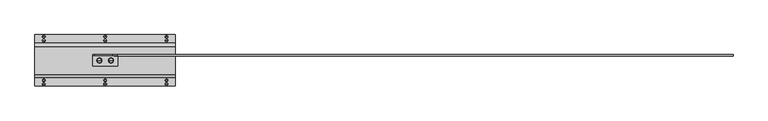
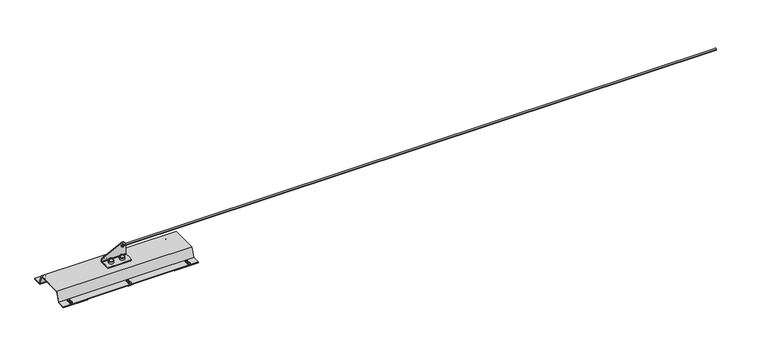
"""IFC4 building model written with IfcOpenShell, lengths in millimetres: proxy geometry."""

from ifc_helpers import new_model, si_unit, point, frame, origin, origin_with_axes, place, context, project, spatial, polyline, circle_curve, ellipse_curve, trimmed, outline, extrude, faceted_brep, source, transform, mapped, element, save
from ifc_brep_helpers import plane_surface, cylinder_surface, revolved_surface, extruded_surface, advanced_brep


def specialty_equipment_7625ce90(model_context):
    return source(origin(), model_context, "Body", "SolidModel", [
        advanced_brep(
        [(30.0, -27.5, 61.0), (17.0, -27.5, 61.0), (43.0, -27.5, 61.0), (41.1288682, -27.5, 74.769106), (18.8711318, -27.5, 74.769106), (30.0, -27.5, 84.5), (41.6048875, -27.5, 74.0453749), (18.3951125, -27.5, 74.0453749), (42.5150381, -27.5, 73.4985013), (17.4849619, -27.5, 73.4985013), (43.0, -27.5, 72.641334), (17.0, -27.5, 72.641334)],
        [
            (0, 1),
            (1, 2, circle_curve(frame((30.0, -27.5, 61.0), z_axis=(0.0, 0.0, -1.0), x_axis=(-1.0, 0.0, 0.0)), 13.0)),
            (2, 0),
            (2, 1, circle_curve(frame((30.0, -27.5, 61.0), z_axis=(0.0, 0.0, -1.0), x_axis=(-1.0, 0.0, 0.0)), 13.0)),
            (3, 4, circle_curve(frame((30.0, -27.5, 74.769106), z_axis=(0.0, 0.0, 1.0), x_axis=(-1.0, 0.0, 0.0)), 11.1288682)),
            (4, 5, circle_curve(frame((30.0, -27.5, 73.2707129), z_axis=(0.0, 1.0, 0.0), x_axis=(1.0, 0.0, 0.0)), 11.2292871)),
            (5, 3, circle_curve(frame((30.0, -27.5, 73.2707129), z_axis=(0.0, 1.0, 0.0), x_axis=(-1.0, 0.0, 0.0)), 11.2292871)),
            (4, 3, circle_curve(frame((30.0, -27.5, 74.769106), z_axis=(0.0, 0.0, 1.0), x_axis=(-1.0, 0.0, 0.0)), 11.1288682)),
            (6, 7, circle_curve(frame((30.0, -27.5, 74.0453749), z_axis=(0.0, 0.0, 1.0), x_axis=(-1.0, 0.0, 0.0)), 11.6048875)),
            (7, 4, circle_curve(frame((17.8800744, -27.5, 74.9025422), z_axis=(0.0, -1.0, 0.0), x_axis=(1.0, 0.0, 0.0)), 1.0)),
            (3, 6, circle_curve(frame((42.1199256, -27.5, 74.9025422), z_axis=(0.0, -1.0, 0.0), x_axis=(-1.0, 0.0, 0.0)), 1.0)),
            (7, 6, circle_curve(frame((30.0, -27.5, 74.0453749), z_axis=(0.0, 0.0, 1.0), x_axis=(-1.0, 0.0, 0.0)), 11.6048875)),
            (8, 9, circle_curve(frame((30.0, -27.5, 73.4985013), z_axis=(0.0, 0.0, 1.0), x_axis=(-1.0, 0.0, 0.0)), 12.5150381)),
            (9, 7),
            (6, 8),
            (9, 8, circle_curve(frame((30.0, -27.5, 73.4985013), z_axis=(0.0, 0.0, 1.0), x_axis=(-1.0, 0.0, 0.0)), 12.5150381)),
            (10, 11, circle_curve(frame((30.0, -27.5, 72.641334), z_axis=(0.0, 0.0, 1.0), x_axis=(-1.0, 0.0, 0.0)), 13.0)),
            (11, 9, circle_curve(frame((18.0, -27.5, 72.641334), z_axis=(0.0, 1.0, 0.0), x_axis=(1.0, 0.0, 0.0)), 1.0)),
            (8, 10, circle_curve(frame((42.0, -27.5, 72.641334), z_axis=(0.0, 1.0, 0.0), x_axis=(-1.0, 0.0, 0.0)), 1.0)),
            (11, 10, circle_curve(frame((30.0, -27.5, 72.641334), z_axis=(0.0, 0.0, 1.0), x_axis=(-1.0, 0.0, 0.0)), 13.0)),
            (1, 11),
            (10, 2),
        ],
        [
            plane_surface(frame((30.0, -27.5, 61.0), z_axis=(0.0, 0.0, -1.0), x_axis=(-1.0, 0.0, 0.0))),
            revolved_surface(trimmed(ellipse_curve(frame((30.0, -27.5, 73.2707129), z_axis=(0.0, -1.0, 0.0), x_axis=(1.0, 0.0, 0.0)), 11.2292871, 11.2292871), [point((30.0, -27.5, 84.5))], [point((18.8711318, -27.5, 74.769106))], True, "CARTESIAN"), (30.0, -27.5, 53.3736575), (0.0, 0.0, -1.0)),
            revolved_surface(trimmed(ellipse_curve(frame((17.8800744, -27.5, 74.9025422), z_axis=(0.0, 1.0, 0.0), x_axis=(1.0, 0.0, 0.0)), 1.0, 1.0), [point((18.8711318, -27.5, 74.769106))], [point((18.3951125, -27.5, 74.0453749))], True, "CARTESIAN"), (30.0, -27.5, 53.3736575), (0.0, 0.0, -1.0)),
            revolved_surface(polyline([(18.3951125, -27.5, 74.0453749), (17.4849619, -27.5, 73.4985013)]), (30.0, -27.5, 53.3736575), (0.0, 0.0, -1.0)),
            revolved_surface(trimmed(ellipse_curve(frame((18.0, -27.5, 72.641334), z_axis=(0.0, -1.0, 0.0), x_axis=(1.0, 0.0, 0.0)), 1.0, 1.0), [point((17.4849619, -27.5, 73.4985013))], [point((17.0, -27.5, 72.641334))], True, "CARTESIAN"), (30.0, -27.5, 53.3736575), (0.0, 0.0, -1.0)),
            cylinder_surface(frame((30.0, -27.5, 53.3736575), z_axis=(0.0, 0.0, -1.0), x_axis=(-1.0, 0.0, 0.0)), 13.0),
        ],
        [
            (0, [[1, 2, 3]]),
            (0, [[-3, 4, -1]]),
            (1, [[5, 6, 7]]),
            (1, [[8, -7, -6]]),
            (2, [[9, 10, -5, 11]]),
            (2, [[12, -11, -8, -10]]),
            (3, [[13, 14, -9, 15]]),
            (3, [[16, -15, -12, -14]]),
            (4, [[17, 18, -13, 19]]),
            (4, [[20, -19, -16, -18]]),
            (5, [[-2, 21, -17, 22]]),
            (5, [[-4, -22, -20, -21]]),
        ],
    ),
        advanced_brep(
        [(-30.0, -27.5, 61.0), (-43.0, -27.5, 61.0), (-17.0, -27.5, 61.0), (-18.8711318, -27.5, 74.769106), (-41.1288682, -27.5, 74.769106), (-30.0, -27.5, 84.5), (-18.3951125, -27.5, 74.0453749), (-41.6048875, -27.5, 74.0453749), (-17.4849619, -27.5, 73.4985013), (-42.5150381, -27.5, 73.4985013), (-17.0, -27.5, 72.641334), (-43.0, -27.5, 72.641334)],
        [
            (0, 1),
            (1, 2, circle_curve(frame((-30.0, -27.5, 61.0), z_axis=(0.0, 0.0, -1.0), x_axis=(-1.0, 0.0, 0.0)), 13.0)),
            (2, 0),
            (2, 1, circle_curve(frame((-30.0, -27.5, 61.0), z_axis=(0.0, 0.0, -1.0), x_axis=(-1.0, 0.0, 0.0)), 13.0)),
            (3, 4, circle_curve(frame((-30.0, -27.5, 74.769106), z_axis=(0.0, 0.0, 1.0), x_axis=(-1.0, 0.0, 0.0)), 11.1288682)),
            (4, 5, circle_curve(frame((-30.0, -27.5, 73.2707129), z_axis=(0.0, 1.0, 0.0), x_axis=(1.0, 0.0, 0.0)), 11.2292871)),
            (5, 3, circle_curve(frame((-30.0, -27.5, 73.2707129), z_axis=(0.0, 1.0, 0.0), x_axis=(-1.0, 0.0, 0.0)), 11.2292871)),
            (4, 3, circle_curve(frame((-30.0, -27.5, 74.769106), z_axis=(0.0, 0.0, 1.0), x_axis=(-1.0, 0.0, 0.0)), 11.1288682)),
            (6, 7, circle_curve(frame((-30.0, -27.5, 74.0453749), z_axis=(0.0, 0.0, 1.0), x_axis=(-1.0, 0.0, 0.0)), 11.6048875)),
            (7, 4, circle_curve(frame((-42.1199256, -27.5, 74.9025422), z_axis=(0.0, -1.0, 0.0), x_axis=(1.0, 0.0, 0.0)), 1.0)),
            (3, 6, circle_curve(frame((-17.8800744, -27.5, 74.9025422), z_axis=(0.0, -1.0, 0.0), x_axis=(-1.0, 0.0, 0.0)), 1.0)),
            (7, 6, circle_curve(frame((-30.0, -27.5, 74.0453749), z_axis=(0.0, 0.0, 1.0), x_axis=(-1.0, 0.0, 0.0)), 11.6048875)),
            (8, 9, circle_curve(frame((-30.0, -27.5, 73.4985013), z_axis=(0.0, 0.0, 1.0), x_axis=(-1.0, 0.0, 0.0)), 12.5150381)),
            (9, 7),
            (6, 8),
            (9, 8, circle_curve(frame((-30.0, -27.5, 73.4985013), z_axis=(0.0, 0.0, 1.0), x_axis=(-1.0, 0.0, 0.0)), 12.5150381)),
            (10, 11, circle_curve(frame((-30.0, -27.5, 72.641334), z_axis=(0.0, 0.0, 1.0), x_axis=(-1.0, 0.0, 0.0)), 13.0)),
            (11, 9, circle_curve(frame((-42.0, -27.5, 72.641334), z_axis=(0.0, 1.0, 0.0), x_axis=(1.0, 0.0, 0.0)), 1.0)),
            (8, 10, circle_curve(frame((-18.0, -27.5, 72.641334), z_axis=(0.0, 1.0, 0.0), x_axis=(-1.0, 0.0, 0.0)), 1.0)),
            (11, 10, circle_curve(frame((-30.0, -27.5, 72.641334), z_axis=(0.0, 0.0, 1.0), x_axis=(-1.0, 0.0, 0.0)), 13.0)),
            (1, 11),
            (10, 2),
        ],
        [
            plane_surface(frame((-30.0, -27.5, 61.0), z_axis=(0.0, 0.0, -1.0), x_axis=(-1.0, 0.0, 0.0))),
            revolved_surface(trimmed(ellipse_curve(frame((-30.0, -27.5, 73.2707129), z_axis=(0.0, -1.0, 0.0), x_axis=(1.0, 0.0, 0.0)), 11.2292871, 11.2292871), [point((-30.0, -27.5, 84.5))], [point((-41.1288682, -27.5, 74.769106))], True, "CARTESIAN"), (-30.0, -27.5, 53.3736575), (0.0, 0.0, -1.0)),
            revolved_surface(trimmed(ellipse_curve(frame((-42.1199256, -27.5, 74.9025422), z_axis=(0.0, 1.0, 0.0), x_axis=(1.0, 0.0, 0.0)), 1.0, 1.0), [point((-41.1288682, -27.5, 74.769106))], [point((-41.6048875, -27.5, 74.0453749))], True, "CARTESIAN"), (-30.0, -27.5, 53.3736575), (0.0, 0.0, -1.0)),
            revolved_surface(polyline([(-41.6048875, -27.5, 74.0453749), (-42.5150381, -27.5, 73.4985013)]), (-30.0, -27.5, 53.3736575), (0.0, 0.0, -1.0)),
            revolved_surface(trimmed(ellipse_curve(frame((-42.0, -27.5, 72.641334), z_axis=(0.0, -1.0, 0.0), x_axis=(1.0, 0.0, 0.0)), 1.0, 1.0), [point((-42.5150381, -27.5, 73.4985013))], [point((-43.0, -27.5, 72.641334))], True, "CARTESIAN"), (-30.0, -27.5, 53.3736575), (0.0, 0.0, -1.0)),
            cylinder_surface(frame((-30.0, -27.5, 53.3736575), z_axis=(0.0, 0.0, -1.0), x_axis=(-1.0, 0.0, 0.0)), 13.0),
        ],
        [
            (0, [[1, 2, 3]]),
            (0, [[-3, 4, -1]]),
            (1, [[5, 6, 7]]),
            (1, [[8, -7, -6]]),
            (2, [[9, 10, -5, 11]]),
            (2, [[12, -11, -8, -10]]),
            (3, [[13, 14, -9, 15]]),
            (3, [[16, -15, -12, -14]]),
            (4, [[17, 18, -13, 19]]),
            (4, [[20, -19, -16, -18]]),
            (5, [[-2, 21, -17, 22]]),
            (5, [[-4, -22, -20, -21]]),
        ],
    ),
        advanced_brep(
        [(65.0, -2.5, 114.5), (39.8285049, -2.5, 130.2288958), (-55.1714951, -2.5, 83.8942999), (-65.0, -2.5, 68.1654041), (-65.0, -2.5, 64.0), (65.0, -2.5, 64.0), (55.0, -2.5, 114.5), (40.0, -2.5, 114.5), (-65.0, 2.5, 68.1654041), (-55.1714951, 2.5, 83.8942999), (39.8285049, 2.5, 130.2288958), (65.0, 2.5, 114.5), (65.0, 2.5, 64.0), (-65.0, 2.5, 64.0), (55.0, 2.5, 114.5), (40.0, 2.5, 114.5), (-65.0, -27.5, 61.0), (-65.0, -52.5, 61.0), (-60.0, -57.5, 61.0), (0.0, -57.5, 61.0), (60.0, -57.5, 61.0), (65.0, -52.5, 61.0), (65.0, -27.5, 61.0), (65.0, -5.5, 61.0), (-65.0, -5.5, 61.0), (65.0, -27.5, 56.0), (65.0, -52.5, 56.0), (60.0, -57.5, 56.0), (0.0, -57.5, 56.0), (-60.0, -57.5, 56.0), (-65.0, -52.5, 56.0), (-65.0, -27.5, 56.0), (-65.0, -5.5, 56.0), (65.0, -5.5, 56.0)],
        [
            (0, 1, circle_curve(frame((47.5, -2.5, 114.5), z_axis=(0.0, -1.0, 0.0), x_axis=(-1.0, 0.0, 0.0)), 17.5)),
            (1, 2),
            (2, 3, circle_curve(frame((-47.5, -2.5, 68.1654041), z_axis=(0.0, -1.0, 0.0), x_axis=(-1.0, 0.0, 0.0)), 17.5)),
            (3, 4),
            (4, 5),
            (5, 0),
            (6, 7, circle_curve(frame((47.5, -2.5, 114.5), z_axis=(0.0, 1.0, 0.0), x_axis=(-1.0, 0.0, 0.0)), 7.5)),
            (7, 6, circle_curve(frame((47.5, -2.5, 114.5), z_axis=(0.0, 1.0, 0.0), x_axis=(-1.0, 0.0, 0.0)), 7.5)),
            (8, 9, circle_curve(frame((-47.5, 2.5, 68.1654041), z_axis=(0.0, 1.0, 0.0), x_axis=(-1.0, 0.0, 0.0)), 17.5)),
            (9, 10),
            (10, 11, circle_curve(frame((47.5, 2.5, 114.5), z_axis=(0.0, 1.0, 0.0), x_axis=(-1.0, 0.0, 0.0)), 17.5)),
            (11, 12),
            (12, 13),
            (13, 8),
            (14, 15, circle_curve(frame((47.5, 2.5, 114.5), z_axis=(0.0, -1.0, 0.0), x_axis=(-1.0, 0.0, 0.0)), 7.5)),
            (15, 14, circle_curve(frame((47.5, 2.5, 114.5), z_axis=(0.0, -1.0, 0.0), x_axis=(-1.0, 0.0, 0.0)), 7.5)),
            (16, 17),
            (17, 18, circle_curve(frame((-60.0, -52.5, 61.0), z_axis=(0.0, 0.0, 1.0), x_axis=(0.0, 1.0, 0.0)), 5.0)),
            (18, 19),
            (19, 20),
            (20, 21, circle_curve(frame((60.0, -52.5, 61.0), z_axis=(0.0, 0.0, 1.0), x_axis=(0.0, 1.0, 0.0)), 5.0)),
            (21, 22),
            (22, 23),
            (23, 24),
            (24, 16),
            (25, 26),
            (26, 27, circle_curve(frame((60.0, -52.5, 56.0), z_axis=(0.0, 0.0, -1.0), x_axis=(0.0, 1.0, 0.0)), 5.0)),
            (27, 28),
            (28, 29),
            (29, 30, circle_curve(frame((-60.0, -52.5, 56.0), z_axis=(0.0, 0.0, -1.0), x_axis=(0.0, 1.0, 0.0)), 5.0)),
            (30, 31),
            (31, 32),
            (32, 33),
            (33, 25),
            (16, 31),
            (30, 17),
            (29, 18),
            (28, 19),
            (27, 20),
            (26, 21),
            (25, 22),
            (4, 24, circle_curve(frame((-65.0, -5.5, 64.0), z_axis=(-1.0, 0.0, 0.0), x_axis=(0.0, 1.0, 0.0)), 3.0)),
            (23, 5, circle_curve(frame((65.0, -5.5, 64.0), z_axis=(1.0, 0.0, 0.0), x_axis=(0.0, 1.0, 0.0)), 3.0)),
            (11, 0),
            (33, 12, circle_curve(frame((65.0, -5.5, 64.0), z_axis=(1.0, 0.0, 0.0), x_axis=(0.0, 1.0, 0.0)), 8.0)),
            (10, 1),
            (9, 2),
            (8, 3),
            (13, 32, circle_curve(frame((-65.0, -5.5, 64.0), z_axis=(-1.0, 0.0, 0.0), x_axis=(0.0, 1.0, 0.0)), 8.0)),
            (6, 14),
            (15, 7),
        ],
        [
            plane_surface(frame((65.0, -2.5, 61.0), z_axis=(0.0, -1.0, 0.0), x_axis=(0.0, 0.0, 1.0))),
            plane_surface(frame((65.0, 2.5, 61.0), z_axis=(0.0, 1.0, 0.0), x_axis=(0.0, 0.0, -1.0))),
            plane_surface(frame((-65.0, 2.5, 61.0), z_axis=(0.0, 0.0, 1.0), x_axis=(0.0, -1.0, 0.0))),
            plane_surface(frame((-65.0, 2.5, 56.0), z_axis=(0.0, 0.0, -1.0), x_axis=(0.0, 1.0, 0.0))),
            plane_surface(frame((-65.0, -27.5, 61.0), z_axis=(-1.0, 0.0, 0.0), x_axis=(0.0, 0.0, -1.0))),
            cylinder_surface(frame((-60.0, -52.5, 56.0), z_axis=(0.0, 0.0, 1.0), x_axis=(0.0, 1.0, 0.0)), 5.0),
            plane_surface(frame((-60.0, -57.5, 61.0), z_axis=(0.0, -1.0, 0.0), x_axis=(0.0, 0.0, -1.0))),
            plane_surface(frame((0.0, -57.5, 61.0), z_axis=(0.0, -1.0, 0.0), x_axis=(0.0, 0.0, -1.0))),
            cylinder_surface(frame((60.0, -52.5, 56.0), z_axis=(0.0, 0.0, 1.0), x_axis=(0.0, 1.0, 0.0)), 5.0),
            plane_surface(frame((65.0, -52.5, 61.0), z_axis=(1.0, 0.0, 0.0), x_axis=(0.0, 0.0, -1.0))),
            revolved_surface(polyline([(-65.0, -2.5, 64.0), (65.0, -2.5, 64.0)]), (-65.0, -5.5, 64.0), (-1.0, 0.0, 0.0)),
            plane_surface(frame((65.0, -2.5, 61.0), z_axis=(1.0, 0.0, 0.0), x_axis=(0.0, 1.0, 0.0))),
            cylinder_surface(frame((47.5, 2.5, 114.5), z_axis=(0.0, -1.0, 0.0), x_axis=(-1.0, 0.0, 0.0)), 17.5),
            plane_surface(frame((39.8285049, -2.5, 130.2288958), z_axis=(-0.4383711467890806, 0.0, 0.8987940462991655), x_axis=(0.0, 1.0, 0.0))),
            cylinder_surface(frame((-47.5, 2.5, 68.1654041), z_axis=(0.0, -1.0, 0.0), x_axis=(-1.0, 0.0, 0.0)), 17.5),
            plane_surface(frame((-65.0, -2.5, 68.1654041), z_axis=(-1.0, 0.0, 0.0), x_axis=(0.0, 1.0, 0.0))),
            cylinder_surface(frame((-65.0, -5.5, 64.0), z_axis=(-1.0, 0.0, 0.0), x_axis=(0.0, 1.0, 0.0)), 8.0),
            revolved_surface(polyline([(40.0, 2.5, 114.5), (40.0, -2.5, 114.5)]), (47.5, 106.0, 114.5), (0.0, 1.0, 0.0)),
        ],
        [
            (0, [[1, 2, 3, 4, 5, 6], [7, 8]]),
            (1, [[9, 10, 11, 12, 13, 14], [15, 16]]),
            (2, [[17, 18, 19, 20, 21, 22, 23, 24, 25]]),
            (3, [[26, 27, 28, 29, 30, 31, 32, 33, 34]]),
            (4, [[-17, 35, -31, 36]]),
            (5, [[-18, -36, -30, 37]]),
            (6, [[-19, -37, -29, 38]]),
            (7, [[-20, -38, -28, 39]]),
            (8, [[-21, -39, -27, 40]]),
            (9, [[-22, -40, -26, 41]]),
            (10, [[42, -24, 43, -5]]),
            (11, [[44, -6, -43, -23, -41, -34, 45, -12]]),
            (12, [[-1, -44, -11, 46]]),
            (13, [[-2, -46, -10, 47]]),
            (14, [[-3, -47, -9, 48]]),
            (15, [[-48, -14, 49, -32, -35, -25, -42, -4]]),
            (16, [[-13, -45, -33, -49]]),
            (17, [[-7, 50, -16, 51]]),
            (17, [[-8, -51, -15, -50]]),
        ],
    ),
        extrude(outline(polyline([(61.0, 3.0), (42.7695663, 53.0877048), (-97.7695663, 53.0877048), (-116.0, 3.0), (-161.0, 3.0), (-161.0, 6.0), (-118.1006226, 6.0), (-99.870189, 56.0877048), (44.870189, 56.0877048), (63.1006226, 6.0), (106.0, 6.0), (106.0, 3.0), (61.0, 3.0)])), frame((-364.0, 0.0, 0.0), z_axis=(1.0, 0.0, 0.0), x_axis=(0.0, 1.0, 0.0)), (0.0, 0.0, 1.0), 728.0),
        extrude(outline(polyline([(-234.0, 106.0), (-234.0, 61.0), (-364.0, 61.0), (-364.0, 106.0), (-234.0, 106.0)])), origin_with_axes(), (0.0, 0.0, 1.0), 3.0),
        extrude(outline(polyline([(234.0, 106.0), (364.0, 106.0), (364.0, 61.0), (234.0, 61.0), (234.0, 106.0)])), origin_with_axes(), (0.0, 0.0, 1.0), 3.0),
        extrude(outline(polyline([(-234.0, -161.0), (-364.0, -161.0), (-364.0, -116.0), (-234.0, -116.0), (-234.0, -161.0)])), origin_with_axes(), (0.0, 0.0, 1.0), 3.0),
        extrude(outline(polyline([(234.0, -161.0), (234.0, -116.0), (364.0, -116.0), (364.0, -161.0), (234.0, -161.0)])), origin_with_axes(), (0.0, 0.0, 1.0), 3.0),
        extrude(outline(polyline([(0.0, 106.0), (14.1113894, 106.0), (14.1113894, 61.0), (0.0, 61.0), (-14.1113894, 61.0), (-14.1113894, 106.0), (0.0, 106.0)])), origin_with_axes(), (0.0, 0.0, 1.0), 3.0),
        extrude(outline(polyline([(0.0, -161.0), (-14.1113894, -161.0), (-14.1113894, -116.0), (0.0, -116.0), (14.1113894, -116.0), (14.1113894, -161.0), (0.0, -161.0)])), origin_with_axes(), (0.0, 0.0, 1.0), 3.0),
        faceted_brep([(-313.4048805, -131.0, 11.0), (-315.7024402, -127.0205097, 11.0), (-320.2975598, -127.0205097, 11.0), (-322.5951195, -131.0, 11.0), (-320.2975598, -134.9794903, 11.0), (-315.7024402, -134.9794903, 11.0), (-313.4048805, -131.0, 7.5), (-315.7024402, -134.9794903, 7.5), (-320.2975598, -134.9794903, 7.5), (-322.5951195, -131.0, 7.5), (-320.2975598, -127.0205097, 7.5), (-315.7024402, -127.0205097, 7.5)], [[[0, 1, 2, 3, 4, 5]], [[6, 7, 8, 9, 10, 11]], [[1, 0, 6, 11]], [[2, 1, 11, 10]], [[3, 2, 10, 9]], [[4, 3, 9, 8]], [[5, 4, 8, 7]], [[0, 5, 7, 6]]]),
        advanced_brep(
        [(4.5951195, -131.0, 11.0), (2.2975598, -127.0205097, 11.0), (-2.2975598, -127.0205097, 11.0), (-4.5951195, -131.0, 11.0), (-2.2975598, -134.9794903, 11.0), (2.2975598, -134.9794903, 11.0), (4.5951195, -131.0, 7.5), (2.2975598, -127.0205097, 7.5), (-2.2975598, -127.0205097, 7.5), (-4.5951195, -131.0, 7.5), (-2.2975598, -134.9794903, 7.5), (2.2975598, -134.9794903, 7.5), (7.2845807, -131.0, 6.0), (-7.2845807, -131.0, 6.0), (0.0, -131.0, 6.0), (-5.7845807, -131.0, 7.5), (5.7845807, -131.0, 7.5)],
        [
            (0, 1),
            (1, 2),
            (2, 3),
            (3, 4),
            (4, 5),
            (5, 0),
            (0, 6),
            (6, 7),
            (7, 1),
            (7, 8),
            (8, 2),
            (8, 9),
            (9, 3),
            (9, 10),
            (10, 4),
            (10, 11),
            (11, 5),
            (11, 6),
            (12, 13, circle_curve(frame((0.0, -131.0, 6.0), z_axis=(0.0, 0.0, -1.0), x_axis=(-1.0, 0.0, 0.0)), 7.2845807)),
            (13, 14),
            (14, 12),
            (13, 12, circle_curve(frame((0.0, -131.0, 6.0), z_axis=(0.0, 0.0, -1.0), x_axis=(-1.0, 0.0, 0.0)), 7.2845807)),
            (15, 16, circle_curve(frame((0.0, -131.0, 7.5), z_axis=(0.0, 0.0, 1.0), x_axis=(-1.0, 0.0, 0.0)), 5.7845807)),
            (16, 6),
            (9, 15),
            (16, 15, circle_curve(frame((0.0, -131.0, 7.5), z_axis=(0.0, 0.0, 1.0), x_axis=(-1.0, 0.0, 0.0)), 5.7845807)),
            (12, 16, circle_curve(frame((5.7845807, -131.0, 6.0), z_axis=(0.0, -1.0, 0.0), x_axis=(1.0, 0.0, 0.0)), 1.5)),
            (15, 13, circle_curve(frame((-5.7845807, -131.0, 6.0), z_axis=(0.0, -1.0, 0.0), x_axis=(-1.0, 0.0, 0.0)), 1.5)),
        ],
        [
            plane_surface(frame((-315.7024402, -127.0205097, 11.0), z_axis=(0.0, 0.0, 1.0), x_axis=(-0.49999999999903916, 0.8660254037849934, 0.0))),
            plane_surface(frame((4.5951195, -131.0, 11.0), z_axis=(0.8660254037844972, 0.4999999999998985, 0.0), x_axis=(0.0, 0.0, -1.0))),
            plane_surface(frame((2.2975598, -127.0205097, 11.0), z_axis=(0.0, 1.0, 0.0), x_axis=(0.0, 0.0, -1.0))),
            plane_surface(frame((-2.2975598, -127.0205097, 11.0), z_axis=(-0.86602540378451, 0.49999999999987643, 0.0), x_axis=(0.0, 0.0, -1.0))),
            plane_surface(frame((-4.5951195, -131.0, 11.0), z_axis=(-0.8660254037843756, -0.5000000000001092, 0.0), x_axis=(0.0, 0.0, -1.0))),
            plane_surface(frame((-2.2975598, -134.9794903, 11.0), z_axis=(0.0, -1.0, 0.0), x_axis=(0.0, 0.0, -1.0))),
            plane_surface(frame((2.2975598, -134.9794903, 11.0), z_axis=(0.8660254037843756, -0.5000000000001092, 0.0), x_axis=(0.0, 0.0, -1.0))),
            plane_surface(frame((0.0, -131.0, 6.0), z_axis=(0.0, 0.0, -1.0), x_axis=(-1.0, 0.0, 0.0))),
            plane_surface(frame((0.0, -131.0, 7.5), z_axis=(0.0, 0.0, 1.0), x_axis=(-1.0, 0.0, 0.0))),
            revolved_surface(trimmed(ellipse_curve(frame((-5.7845807, -131.0, 6.0), z_axis=(0.0, 1.0, 0.0), x_axis=(-1.0, 0.0, 0.0)), 1.5, 1.5), [point((-7.2845807, -131.0, 6.0))], [point((-5.7845807, -131.0, 7.5))], True, "CARTESIAN"), (0.0, -131.0, -55.0), (0.0, 0.0, 1.0)),
        ],
        [
            (0, [[1, 2, 3, 4, 5, 6]]),
            (1, [[-1, 7, 8, 9]]),
            (2, [[-2, -9, 10, 11]]),
            (3, [[-3, -11, 12, 13]]),
            (4, [[-4, -13, 14, 15]]),
            (5, [[-5, -15, 16, 17]]),
            (6, [[-6, -17, 18, -7]]),
            (7, [[19, 20, 21]]),
            (7, [[-20, 22, -21]]),
            (8, [[23, 24, -18, -16, -14, 25]]),
            (8, [[26, -25, -12, -10, -8, -24]]),
            (9, [[-19, 27, -23, 28]]),
            (9, [[-22, -28, -26, -27]]),
        ],
    ),
        faceted_brep([(313.4048805, -131.0, 11.0), (315.7024402, -134.9794903, 11.0), (320.2975598, -134.9794903, 11.0), (322.5951195, -131.0, 11.0), (320.2975598, -127.0205097, 11.0), (315.7024402, -127.0205097, 11.0), (313.4048805, -131.0, 7.5), (315.7024402, -127.0205097, 7.5), (320.2975598, -127.0205097, 7.5), (322.5951195, -131.0, 7.5), (320.2975598, -134.9794903, 7.5), (315.7024402, -134.9794903, 7.5)], [[[0, 1, 2, 3, 4, 5]], [[6, 7, 8, 9, 10, 11]], [[1, 0, 6, 11]], [[2, 1, 11, 10]], [[3, 2, 10, 9]], [[4, 3, 9, 8]], [[5, 4, 8, 7]], [[0, 5, 7, 6]]]),
        advanced_brep(
        [(325.2980125, -151.0, 6.0), (310.7019875, -151.0, 6.0), (318.0, -151.0, 6.0), (325.2980125, -151.0, 7.5), (310.7019875, -151.0, 7.5), (321.2980125, -151.0, 11.5), (314.7019875, -151.0, 11.5), (318.0, -151.0, 11.5)],
        [
            (0, 1, circle_curve(frame((318.0, -151.0, 6.0), z_axis=(0.0, 0.0, -1.0), x_axis=(-1.0, 0.0, 0.0)), 7.2980125)),
            (1, 2),
            (2, 0),
            (1, 0, circle_curve(frame((318.0, -151.0, 6.0), z_axis=(0.0, 0.0, -1.0), x_axis=(-1.0, 0.0, 0.0)), 7.2980125)),
            (3, 4, circle_curve(frame((318.0, -151.0, 7.5), z_axis=(0.0, 0.0, -1.0), x_axis=(-1.0, 0.0, 0.0)), 7.2980125)),
            (4, 1),
            (0, 3),
            (4, 3, circle_curve(frame((318.0, -151.0, 7.5), z_axis=(0.0, 0.0, -1.0), x_axis=(-1.0, 0.0, 0.0)), 7.2980125)),
            (5, 6, circle_curve(frame((318.0, -151.0, 11.5), z_axis=(0.0, 0.0, -1.0), x_axis=(-1.0, 0.0, 0.0)), 3.2980125)),
            (6, 4, circle_curve(frame((314.7019875, -151.0, 7.5), z_axis=(0.0, -1.0, 0.0), x_axis=(-1.0, 0.0, 0.0)), 4.0)),
            (3, 5, circle_curve(frame((321.2980125, -151.0, 7.5), z_axis=(0.0, -1.0, 0.0), x_axis=(1.0, 0.0, 0.0)), 4.0)),
            (6, 5, circle_curve(frame((318.0, -151.0, 11.5), z_axis=(0.0, 0.0, -1.0), x_axis=(-1.0, 0.0, 0.0)), 3.2980125)),
            (7, 6),
            (5, 7),
        ],
        [
            plane_surface(frame((318.0, -151.0, 6.0), z_axis=(0.0, 0.0, -1.0), x_axis=(-1.0, 0.0, 0.0))),
            cylinder_surface(frame((318.0, -151.0, -55.0), z_axis=(0.0, 0.0, 1.0), x_axis=(-1.0, 0.0, 0.0)), 7.2980125),
            revolved_surface(trimmed(ellipse_curve(frame((314.7019875, -151.0, 7.5), z_axis=(0.0, 1.0, 0.0), x_axis=(-1.0, 0.0, 0.0)), 4.0, 4.0), [point((310.7019875, -151.0, 7.5))], [point((314.7019875, -151.0, 11.5))], True, "CARTESIAN"), (318.0, -151.0, -55.0), (0.0, 0.0, 1.0)),
            plane_surface(frame((318.0, -151.0, 11.5), z_axis=(0.0, 0.0, 1.0), x_axis=(-1.0, 0.0, 0.0))),
        ],
        [
            (0, [[1, 2, 3]]),
            (0, [[4, -3, -2]]),
            (1, [[5, 6, -1, 7]]),
            (1, [[8, -7, -4, -6]]),
            (2, [[9, 10, -5, 11]]),
            (2, [[12, -11, -8, -10]]),
            (3, [[13, -9, 14]]),
            (3, [[-14, -12, -13]]),
        ],
    ),
        advanced_brep(
        [(7.2980125, -151.0, 6.0), (-7.2980125, -151.0, 6.0), (0.0, -151.0, 6.0), (7.2980125, -151.0, 7.5), (-7.2980125, -151.0, 7.5), (3.2980125, -151.0, 11.5), (-3.2980125, -151.0, 11.5), (0.0, -151.0, 11.5)],
        [
            (0, 1, circle_curve(frame((0.0, -151.0, 6.0), z_axis=(0.0, 0.0, -1.0), x_axis=(-1.0, 0.0, 0.0)), 7.2980125)),
            (1, 2),
            (2, 0),
            (1, 0, circle_curve(frame((0.0, -151.0, 6.0), z_axis=(0.0, 0.0, -1.0), x_axis=(-1.0, 0.0, 0.0)), 7.2980125)),
            (3, 4, circle_curve(frame((0.0, -151.0, 7.5), z_axis=(0.0, 0.0, -1.0), x_axis=(-1.0, 0.0, 0.0)), 7.2980125)),
            (4, 1),
            (0, 3),
            (4, 3, circle_curve(frame((0.0, -151.0, 7.5), z_axis=(0.0, 0.0, -1.0), x_axis=(-1.0, 0.0, 0.0)), 7.2980125)),
            (5, 6, circle_curve(frame((0.0, -151.0, 11.5), z_axis=(0.0, 0.0, -1.0), x_axis=(-1.0, 0.0, 0.0)), 3.2980125)),
            (6, 4, circle_curve(frame((-3.2980125, -151.0, 7.5), z_axis=(0.0, -1.0, 0.0), x_axis=(-1.0, 0.0, 0.0)), 4.0)),
            (3, 5, circle_curve(frame((3.2980125, -151.0, 7.5), z_axis=(0.0, -1.0, 0.0), x_axis=(1.0, 0.0, 0.0)), 4.0)),
            (6, 5, circle_curve(frame((0.0, -151.0, 11.5), z_axis=(0.0, 0.0, -1.0), x_axis=(-1.0, 0.0, 0.0)), 3.2980125)),
            (7, 6),
            (5, 7),
        ],
        [
            plane_surface(frame((0.0, -151.0, 6.0), z_axis=(0.0, 0.0, -1.0), x_axis=(-1.0, 0.0, 0.0))),
            cylinder_surface(frame((0.0, -151.0, -55.0), z_axis=(0.0, 0.0, 1.0), x_axis=(-1.0, 0.0, 0.0)), 7.2980125),
            revolved_surface(trimmed(ellipse_curve(frame((-3.2980125, -151.0, 7.5), z_axis=(0.0, 1.0, 0.0), x_axis=(-1.0, 0.0, 0.0)), 4.0, 4.0), [point((-7.2980125, -151.0, 7.5))], [point((-3.2980125, -151.0, 11.5))], True, "CARTESIAN"), (0.0, -151.0, -55.0), (0.0, 0.0, 1.0)),
            plane_surface(frame((0.0, -151.0, 11.5), z_axis=(0.0, 0.0, 1.0), x_axis=(-1.0, 0.0, 0.0))),
        ],
        [
            (0, [[1, 2, 3]]),
            (0, [[4, -3, -2]]),
            (1, [[5, 6, -1, 7]]),
            (1, [[8, -7, -4, -6]]),
            (2, [[9, 10, -5, 11]]),
            (2, [[12, -11, -8, -10]]),
            (3, [[13, -9, 14]]),
            (3, [[-14, -12, -13]]),
        ],
    ),
        advanced_brep(
        [(-310.7019875, -151.0, 6.0), (-325.2980125, -151.0, 6.0), (-318.0, -151.0, 6.0), (-310.7019875, -151.0, 7.5), (-325.2980125, -151.0, 7.5), (-314.7019875, -151.0, 11.5), (-321.2980125, -151.0, 11.5), (-318.0, -151.0, 11.5)],
        [
            (0, 1, circle_curve(frame((-318.0, -151.0, 6.0), z_axis=(0.0, 0.0, -1.0), x_axis=(-1.0, 0.0, 0.0)), 7.2980125)),
            (1, 2),
            (2, 0),
            (1, 0, circle_curve(frame((-318.0, -151.0, 6.0), z_axis=(0.0, 0.0, -1.0), x_axis=(-1.0, 0.0, 0.0)), 7.2980125)),
            (3, 4, circle_curve(frame((-318.0, -151.0, 7.5), z_axis=(0.0, 0.0, -1.0), x_axis=(-1.0, 0.0, 0.0)), 7.2980125)),
            (4, 1),
            (0, 3),
            (4, 3, circle_curve(frame((-318.0, -151.0, 7.5), z_axis=(0.0, 0.0, -1.0), x_axis=(-1.0, 0.0, 0.0)), 7.2980125)),
            (5, 6, circle_curve(frame((-318.0, -151.0, 11.5), z_axis=(0.0, 0.0, -1.0), x_axis=(-1.0, 0.0, 0.0)), 3.2980125)),
            (6, 4, circle_curve(frame((-321.2980125, -151.0, 7.5), z_axis=(0.0, -1.0, 0.0), x_axis=(-1.0, 0.0, 0.0)), 4.0)),
            (3, 5, circle_curve(frame((-314.7019875, -151.0, 7.5), z_axis=(0.0, -1.0, 0.0), x_axis=(1.0, 0.0, 0.0)), 4.0)),
            (6, 5, circle_curve(frame((-318.0, -151.0, 11.5), z_axis=(0.0, 0.0, -1.0), x_axis=(-1.0, 0.0, 0.0)), 3.2980125)),
            (7, 6),
            (5, 7),
        ],
        [
            plane_surface(frame((-318.0, -151.0, 6.0), z_axis=(0.0, 0.0, -1.0), x_axis=(-1.0, 0.0, 0.0))),
            cylinder_surface(frame((-318.0, -151.0, -55.0), z_axis=(0.0, 0.0, 1.0), x_axis=(-1.0, 0.0, 0.0)), 7.2980125),
            revolved_surface(trimmed(ellipse_curve(frame((-321.2980125, -151.0, 7.5), z_axis=(0.0, 1.0, 0.0), x_axis=(-1.0, 0.0, 0.0)), 4.0, 4.0), [point((-325.2980125, -151.0, 7.5))], [point((-321.2980125, -151.0, 11.5))], True, "CARTESIAN"), (-318.0, -151.0, -55.0), (0.0, 0.0, 1.0)),
            plane_surface(frame((-318.0, -151.0, 11.5), z_axis=(0.0, 0.0, 1.0), x_axis=(-1.0, 0.0, 0.0))),
        ],
        [
            (0, [[1, 2, 3]]),
            (0, [[4, -3, -2]]),
            (1, [[5, 6, -1, 7]]),
            (1, [[8, -7, -4, -6]]),
            (2, [[9, 10, -5, 11]]),
            (2, [[12, -11, -8, -10]]),
            (3, [[13, -9, 14]]),
            (3, [[-14, -12, -13]]),
        ],
    ),
        advanced_brep(
        [(310.7019875, 76.0, 6.0), (325.2980125, 76.0, 6.0), (318.0, 76.0, 6.0), (310.7019875, 76.0, 7.5), (325.2980125, 76.0, 7.5), (314.7019875, 76.0, 11.5), (321.2980125, 76.0, 11.5), (318.0, 76.0, 11.5)],
        [
            (0, 1, circle_curve(frame((318.0, 76.0, 6.0), z_axis=(0.0, 0.0, -1.0), x_axis=(1.0, 0.0, 0.0)), 7.2980125)),
            (1, 2),
            (2, 0),
            (1, 0, circle_curve(frame((318.0, 76.0, 6.0), z_axis=(0.0, 0.0, -1.0), x_axis=(1.0, 0.0, 0.0)), 7.2980125)),
            (3, 4, circle_curve(frame((318.0, 76.0, 7.5), z_axis=(0.0, 0.0, -1.0), x_axis=(1.0, 0.0, 0.0)), 7.2980125)),
            (4, 1),
            (0, 3),
            (4, 3, circle_curve(frame((318.0, 76.0, 7.5), z_axis=(0.0, 0.0, -1.0), x_axis=(1.0, 0.0, 0.0)), 7.2980125)),
            (5, 6, circle_curve(frame((318.0, 76.0, 11.5), z_axis=(0.0, 0.0, -1.0), x_axis=(1.0, 0.0, 0.0)), 3.2980125)),
            (6, 4, circle_curve(frame((321.2980125, 76.0, 7.5), z_axis=(0.0, 1.0, 0.0), x_axis=(-1.0, 0.0, 0.0)), 4.0)),
            (3, 5, circle_curve(frame((314.7019875, 76.0, 7.5), z_axis=(0.0, 1.0, 0.0), x_axis=(1.0, 0.0, 0.0)), 4.0)),
            (6, 5, circle_curve(frame((318.0, 76.0, 11.5), z_axis=(0.0, 0.0, -1.0), x_axis=(1.0, 0.0, 0.0)), 3.2980125)),
            (7, 6),
            (5, 7),
        ],
        [
            plane_surface(frame((318.0, 76.0, 6.0), z_axis=(0.0, 0.0, -1.0), x_axis=(1.0, 0.0, 0.0))),
            cylinder_surface(frame((318.0, 76.0, -55.0), z_axis=(0.0, 0.0, 1.0), x_axis=(1.0, 0.0, 0.0)), 7.2980125),
            revolved_surface(trimmed(ellipse_curve(frame((321.2980125, 76.0, 7.5), z_axis=(0.0, -1.0, 0.0), x_axis=(-1.0, 0.0, 0.0)), 4.0, 4.0), [point((325.2980125, 76.0, 7.5))], [point((321.2980125, 76.0, 11.5))], True, "CARTESIAN"), (318.0, 76.0, -55.0), (0.0, 0.0, 1.0)),
            plane_surface(frame((318.0, 76.0, 11.5), z_axis=(0.0, 0.0, 1.0), x_axis=(1.0, 0.0, 0.0))),
        ],
        [
            (0, [[1, 2, 3]]),
            (0, [[4, -3, -2]]),
            (1, [[5, 6, -1, 7]]),
            (1, [[8, -7, -4, -6]]),
            (2, [[9, 10, -5, 11]]),
            (2, [[12, -11, -8, -10]]),
            (3, [[13, -9, 14]]),
            (3, [[-14, -12, -13]]),
        ],
    ),
        advanced_brep(
        [(-7.2980125, 76.0, 6.0), (7.2980125, 76.0, 6.0), (0.0, 76.0, 6.0), (-7.2980125, 76.0, 7.5), (7.2980125, 76.0, 7.5), (-3.2980125, 76.0, 11.5), (3.2980125, 76.0, 11.5), (0.0, 76.0, 11.5)],
        [
            (0, 1, circle_curve(frame((0.0, 76.0, 6.0), z_axis=(0.0, 0.0, -1.0), x_axis=(1.0, 0.0, 0.0)), 7.2980125)),
            (1, 2),
            (2, 0),
            (1, 0, circle_curve(frame((0.0, 76.0, 6.0), z_axis=(0.0, 0.0, -1.0), x_axis=(1.0, 0.0, 0.0)), 7.2980125)),
            (3, 4, circle_curve(frame((0.0, 76.0, 7.5), z_axis=(0.0, 0.0, -1.0), x_axis=(1.0, 0.0, 0.0)), 7.2980125)),
            (4, 1),
            (0, 3),
            (4, 3, circle_curve(frame((0.0, 76.0, 7.5), z_axis=(0.0, 0.0, -1.0), x_axis=(1.0, 0.0, 0.0)), 7.2980125)),
            (5, 6, circle_curve(frame((0.0, 76.0, 11.5), z_axis=(0.0, 0.0, -1.0), x_axis=(1.0, 0.0, 0.0)), 3.2980125)),
            (6, 4, circle_curve(frame((3.2980125, 76.0, 7.5), z_axis=(0.0, 1.0, 0.0), x_axis=(-1.0, 0.0, 0.0)), 4.0)),
            (3, 5, circle_curve(frame((-3.2980125, 76.0, 7.5), z_axis=(0.0, 1.0, 0.0), x_axis=(1.0, 0.0, 0.0)), 4.0)),
            (6, 5, circle_curve(frame((0.0, 76.0, 11.5), z_axis=(0.0, 0.0, -1.0), x_axis=(1.0, 0.0, 0.0)), 3.2980125)),
            (7, 6),
            (5, 7),
        ],
        [
            plane_surface(frame((0.0, 76.0, 6.0), z_axis=(0.0, 0.0, -1.0), x_axis=(1.0, 0.0, 0.0))),
            cylinder_surface(frame((0.0, 76.0, -55.0), z_axis=(0.0, 0.0, 1.0), x_axis=(1.0, 0.0, 0.0)), 7.2980125),
            revolved_surface(trimmed(ellipse_curve(frame((3.2980125, 76.0, 7.5), z_axis=(0.0, -1.0, 0.0), x_axis=(-1.0, 0.0, 0.0)), 4.0, 4.0), [point((7.2980125, 76.0, 7.5))], [point((3.2980125, 76.0, 11.5))], True, "CARTESIAN"), (0.0, 76.0, -55.0), (0.0, 0.0, 1.0)),
            plane_surface(frame((0.0, 76.0, 11.5), z_axis=(0.0, 0.0, 1.0), x_axis=(1.0, 0.0, 0.0))),
        ],
        [
            (0, [[1, 2, 3]]),
            (0, [[4, -3, -2]]),
            (1, [[5, 6, -1, 7]]),
            (1, [[8, -7, -4, -6]]),
            (2, [[9, 10, -5, 11]]),
            (2, [[12, -11, -8, -10]]),
            (3, [[13, -9, 14]]),
            (3, [[-14, -12, -13]]),
        ],
    ),
        advanced_brep(
        [(-325.2980125, 76.0, 6.0), (-310.7019875, 76.0, 6.0), (-318.0, 76.0, 6.0), (-325.2980125, 76.0, 7.5), (-310.7019875, 76.0, 7.5), (-321.2980125, 76.0, 11.5), (-314.7019875, 76.0, 11.5), (-318.0, 76.0, 11.5)],
        [
            (0, 1, circle_curve(frame((-318.0, 76.0, 6.0), z_axis=(0.0, 0.0, -1.0), x_axis=(1.0, 0.0, 0.0)), 7.2980125)),
            (1, 2),
            (2, 0),
            (1, 0, circle_curve(frame((-318.0, 76.0, 6.0), z_axis=(0.0, 0.0, -1.0), x_axis=(1.0, 0.0, 0.0)), 7.2980125)),
            (3, 4, circle_curve(frame((-318.0, 76.0, 7.5), z_axis=(0.0, 0.0, -1.0), x_axis=(1.0, 0.0, 0.0)), 7.2980125)),
            (4, 1),
            (0, 3),
            (4, 3, circle_curve(frame((-318.0, 76.0, 7.5), z_axis=(0.0, 0.0, -1.0), x_axis=(1.0, 0.0, 0.0)), 7.2980125)),
            (5, 6, circle_curve(frame((-318.0, 76.0, 11.5), z_axis=(0.0, 0.0, -1.0), x_axis=(1.0, 0.0, 0.0)), 3.2980125)),
            (6, 4, circle_curve(frame((-314.7019875, 76.0, 7.5), z_axis=(0.0, 1.0, 0.0), x_axis=(-1.0, 0.0, 0.0)), 4.0)),
            (3, 5, circle_curve(frame((-321.2980125, 76.0, 7.5), z_axis=(0.0, 1.0, 0.0), x_axis=(1.0, 0.0, 0.0)), 4.0)),
            (6, 5, circle_curve(frame((-318.0, 76.0, 11.5), z_axis=(0.0, 0.0, -1.0), x_axis=(1.0, 0.0, 0.0)), 3.2980125)),
            (7, 6),
            (5, 7),
        ],
        [
            plane_surface(frame((-318.0, 76.0, 6.0), z_axis=(0.0, 0.0, -1.0), x_axis=(1.0, 0.0, 0.0))),
            cylinder_surface(frame((-318.0, 76.0, -55.0), z_axis=(0.0, 0.0, 1.0), x_axis=(1.0, 0.0, 0.0)), 7.2980125),
            revolved_surface(trimmed(ellipse_curve(frame((-314.7019875, 76.0, 7.5), z_axis=(0.0, -1.0, 0.0), x_axis=(-1.0, 0.0, 0.0)), 4.0, 4.0), [point((-310.7019875, 76.0, 7.5))], [point((-314.7019875, 76.0, 11.5))], True, "CARTESIAN"), (-318.0, 76.0, -55.0), (0.0, 0.0, 1.0)),
            plane_surface(frame((-318.0, 76.0, 11.5), z_axis=(0.0, 0.0, 1.0), x_axis=(1.0, 0.0, 0.0))),
        ],
        [
            (0, [[1, 2, 3]]),
            (0, [[4, -3, -2]]),
            (1, [[5, 6, -1, 7]]),
            (1, [[8, -7, -4, -6]]),
            (2, [[9, 10, -5, 11]]),
            (2, [[12, -11, -8, -10]]),
            (3, [[13, -9, 14]]),
            (3, [[-14, -12, -13]]),
        ],
    ),
        advanced_brep(
        [(310.7019875, 96.0, 6.0), (325.2980125, 96.0, 6.0), (318.0, 96.0, 6.0), (310.7019875, 96.0, 7.5), (325.2980125, 96.0, 7.5), (314.7019875, 96.0, 11.5), (321.2980125, 96.0, 11.5), (318.0, 96.0, 11.5)],
        [
            (0, 1, circle_curve(frame((318.0, 96.0, 6.0), z_axis=(0.0, 0.0, -1.0), x_axis=(1.0, 0.0, 0.0)), 7.2980125)),
            (1, 2),
            (2, 0),
            (1, 0, circle_curve(frame((318.0, 96.0, 6.0), z_axis=(0.0, 0.0, -1.0), x_axis=(1.0, 0.0, 0.0)), 7.2980125)),
            (3, 4, circle_curve(frame((318.0, 96.0, 7.5), z_axis=(0.0, 0.0, -1.0), x_axis=(1.0, 0.0, 0.0)), 7.2980125)),
            (4, 1),
            (0, 3),
            (4, 3, circle_curve(frame((318.0, 96.0, 7.5), z_axis=(0.0, 0.0, -1.0), x_axis=(1.0, 0.0, 0.0)), 7.2980125)),
            (5, 6, circle_curve(frame((318.0, 96.0, 11.5), z_axis=(0.0, 0.0, -1.0), x_axis=(1.0, 0.0, 0.0)), 3.2980125)),
            (6, 4, circle_curve(frame((321.2980125, 96.0, 7.5), z_axis=(0.0, 1.0, 0.0), x_axis=(-1.0, 0.0, 0.0)), 4.0)),
            (3, 5, circle_curve(frame((314.7019875, 96.0, 7.5), z_axis=(0.0, 1.0, 0.0), x_axis=(1.0, 0.0, 0.0)), 4.0)),
            (6, 5, circle_curve(frame((318.0, 96.0, 11.5), z_axis=(0.0, 0.0, -1.0), x_axis=(1.0, 0.0, 0.0)), 3.2980125)),
            (7, 6),
            (5, 7),
        ],
        [
            plane_surface(frame((318.0, 96.0, 6.0), z_axis=(0.0, 0.0, -1.0), x_axis=(1.0, 0.0, 0.0))),
            cylinder_surface(frame((318.0, 96.0, -55.0), z_axis=(0.0, 0.0, 1.0), x_axis=(1.0, 0.0, 0.0)), 7.2980125),
            revolved_surface(trimmed(ellipse_curve(frame((321.2980125, 96.0, 7.5), z_axis=(0.0, -1.0, 0.0), x_axis=(-1.0, 0.0, 0.0)), 4.0, 4.0), [point((325.2980125, 96.0, 7.5))], [point((321.2980125, 96.0, 11.5))], True, "CARTESIAN"), (318.0, 96.0, -55.0), (0.0, 0.0, 1.0)),
            plane_surface(frame((318.0, 96.0, 11.5), z_axis=(0.0, 0.0, 1.0), x_axis=(1.0, 0.0, 0.0))),
        ],
        [
            (0, [[1, 2, 3]]),
            (0, [[4, -3, -2]]),
            (1, [[5, 6, -1, 7]]),
            (1, [[8, -7, -4, -6]]),
            (2, [[9, 10, -5, 11]]),
            (2, [[12, -11, -8, -10]]),
            (3, [[13, -9, 14]]),
            (3, [[-14, -12, -13]]),
        ],
    ),
        advanced_brep(
        [(-7.2980125, 96.0, 6.0), (7.2980125, 96.0, 6.0), (0.0, 96.0, 6.0), (-7.2980125, 96.0, 7.5), (7.2980125, 96.0, 7.5), (-3.2980125, 96.0, 11.5), (3.2980125, 96.0, 11.5), (0.0, 96.0, 11.5)],
        [
            (0, 1, circle_curve(frame((0.0, 96.0, 6.0), z_axis=(0.0, 0.0, -1.0), x_axis=(1.0, 0.0, 0.0)), 7.2980125)),
            (1, 2),
            (2, 0),
            (1, 0, circle_curve(frame((0.0, 96.0, 6.0), z_axis=(0.0, 0.0, -1.0), x_axis=(1.0, 0.0, 0.0)), 7.2980125)),
            (3, 4, circle_curve(frame((0.0, 96.0, 7.5), z_axis=(0.0, 0.0, -1.0), x_axis=(1.0, 0.0, 0.0)), 7.2980125)),
            (4, 1),
            (0, 3),
            (4, 3, circle_curve(frame((0.0, 96.0, 7.5), z_axis=(0.0, 0.0, -1.0), x_axis=(1.0, 0.0, 0.0)), 7.2980125)),
            (5, 6, circle_curve(frame((0.0, 96.0, 11.5), z_axis=(0.0, 0.0, -1.0), x_axis=(1.0, 0.0, 0.0)), 3.2980125)),
            (6, 4, circle_curve(frame((3.2980125, 96.0, 7.5), z_axis=(0.0, 1.0, 0.0), x_axis=(-1.0, 0.0, 0.0)), 4.0)),
            (3, 5, circle_curve(frame((-3.2980125, 96.0, 7.5), z_axis=(0.0, 1.0, 0.0), x_axis=(1.0, 0.0, 0.0)), 4.0)),
            (6, 5, circle_curve(frame((0.0, 96.0, 11.5), z_axis=(0.0, 0.0, -1.0), x_axis=(1.0, 0.0, 0.0)), 3.2980125)),
            (7, 6),
            (5, 7),
        ],
        [
            plane_surface(frame((0.0, 96.0, 6.0), z_axis=(0.0, 0.0, -1.0), x_axis=(1.0, 0.0, 0.0))),
            cylinder_surface(frame((0.0, 96.0, -55.0), z_axis=(0.0, 0.0, 1.0), x_axis=(1.0, 0.0, 0.0)), 7.2980125),
            revolved_surface(trimmed(ellipse_curve(frame((3.2980125, 96.0, 7.5), z_axis=(0.0, -1.0, 0.0), x_axis=(-1.0, 0.0, 0.0)), 4.0, 4.0), [point((7.2980125, 96.0, 7.5))], [point((3.2980125, 96.0, 11.5))], True, "CARTESIAN"), (0.0, 96.0, -55.0), (0.0, 0.0, 1.0)),
            plane_surface(frame((0.0, 96.0, 11.5), z_axis=(0.0, 0.0, 1.0), x_axis=(1.0, 0.0, 0.0))),
        ],
        [
            (0, [[1, 2, 3]]),
            (0, [[4, -3, -2]]),
            (1, [[5, 6, -1, 7]]),
            (1, [[8, -7, -4, -6]]),
            (2, [[9, 10, -5, 11]]),
            (2, [[12, -11, -8, -10]]),
            (3, [[13, -9, 14]]),
            (3, [[-14, -12, -13]]),
        ],
    ),
        advanced_brep(
        [(-325.2980125, 96.0, 6.0), (-310.7019875, 96.0, 6.0), (-318.0, 96.0, 6.0), (-325.2980125, 96.0, 7.4674775), (-310.7019875, 96.0, 7.4674775), (-321.2980125, 96.0, 11.4674775), (-314.7019875, 96.0, 11.4674775), (-318.0, 96.0, 11.4674775)],
        [
            (0, 1, circle_curve(frame((-318.0, 96.0, 6.0), z_axis=(0.0, 0.0, -1.0), x_axis=(1.0, 0.0, 0.0)), 7.2980125)),
            (1, 2),
            (2, 0),
            (1, 0, circle_curve(frame((-318.0, 96.0, 6.0), z_axis=(0.0, 0.0, -1.0), x_axis=(1.0, 0.0, 0.0)), 7.2980125)),
            (3, 4, circle_curve(frame((-318.0, 96.0, 7.4674775), z_axis=(0.0, 0.0, -1.0), x_axis=(1.0, 0.0, 0.0)), 7.2980125)),
            (4, 1),
            (0, 3),
            (4, 3, circle_curve(frame((-318.0, 96.0, 7.4674775), z_axis=(0.0, 0.0, -1.0), x_axis=(1.0, 0.0, 0.0)), 7.2980125)),
            (5, 6, circle_curve(frame((-318.0, 96.0, 11.4674775), z_axis=(0.0, 0.0, -1.0), x_axis=(1.0, 0.0, 0.0)), 3.2980125)),
            (6, 4, circle_curve(frame((-314.7019875, 96.0, 7.4674775), z_axis=(0.0, 1.0, 0.0), x_axis=(-1.0, 0.0, 0.0)), 4.0)),
            (3, 5, circle_curve(frame((-321.2980125, 96.0, 7.4674775), z_axis=(0.0, 1.0, 0.0), x_axis=(1.0, 0.0, 0.0)), 4.0)),
            (6, 5, circle_curve(frame((-318.0, 96.0, 11.4674775), z_axis=(0.0, 0.0, -1.0), x_axis=(1.0, 0.0, 0.0)), 3.2980125)),
            (7, 6),
            (5, 7),
        ],
        [
            plane_surface(frame((-318.0, 96.0, 6.0), z_axis=(0.0, 0.0, -1.0), x_axis=(1.0, 0.0, 0.0))),
            cylinder_surface(frame((-318.0, 96.0, -55.0), z_axis=(0.0, 0.0, 1.0), x_axis=(1.0, 0.0, 0.0)), 7.2980125),
            revolved_surface(trimmed(ellipse_curve(frame((-314.7019875, 96.0, 7.4674775), z_axis=(0.0, -1.0, 0.0), x_axis=(-1.0, 0.0, 0.0)), 4.0, 4.0), [point((-310.7019875, 96.0, 7.4674775))], [point((-314.7019875, 96.0, 11.4674775))], True, "CARTESIAN"), (-318.0, 96.0, -55.0), (0.0, 0.0, 1.0)),
            plane_surface(frame((-318.0, 96.0, 11.4674775), z_axis=(0.0, 0.0, 1.0), x_axis=(1.0, 0.0, 0.0))),
        ],
        [
            (0, [[1, 2, 3]]),
            (0, [[4, -3, -2]]),
            (1, [[5, 6, -1, 7]]),
            (1, [[8, -7, -4, -6]]),
            (2, [[9, 10, -5, 11]]),
            (2, [[12, -11, -8, -10]]),
            (3, [[13, -9, 14]]),
            (3, [[-14, -12, -13]]),
        ],
    ),
        advanced_brep(
        [(325.2845807, -131.0, 6.0), (310.7154193, -131.0, 6.0), (318.0, -131.0, 6.0), (323.7845807, -131.0, 7.5), (312.2154193, -131.0, 7.5), (318.0, -131.0, 7.5)],
        [
            (0, 1, circle_curve(frame((318.0, -131.0, 6.0), z_axis=(0.0, 0.0, -1.0), x_axis=(-1.0, 0.0, 0.0)), 7.2845807)),
            (1, 2),
            (2, 0),
            (1, 0, circle_curve(frame((318.0, -131.0, 6.0), z_axis=(0.0, 0.0, -1.0), x_axis=(-1.0, 0.0, 0.0)), 7.2845807)),
            (3, 4, circle_curve(frame((318.0, -131.0, 7.5), z_axis=(0.0, 0.0, -1.0), x_axis=(-1.0, 0.0, 0.0)), 5.7845807)),
            (4, 1, circle_curve(frame((312.2154193, -131.0, 6.0), z_axis=(0.0, -1.0, 0.0), x_axis=(-1.0, 0.0, 0.0)), 1.5)),
            (0, 3, circle_curve(frame((323.7845807, -131.0, 6.0), z_axis=(0.0, -1.0, 0.0), x_axis=(1.0, 0.0, 0.0)), 1.5)),
            (4, 3, circle_curve(frame((318.0, -131.0, 7.5), z_axis=(0.0, 0.0, -1.0), x_axis=(-1.0, 0.0, 0.0)), 5.7845807)),
            (5, 4),
            (3, 5),
        ],
        [
            plane_surface(frame((318.0, -131.0, 6.0), z_axis=(0.0, 0.0, -1.0), x_axis=(-1.0, 0.0, 0.0))),
            revolved_surface(trimmed(ellipse_curve(frame((312.2154193, -131.0, 6.0), z_axis=(0.0, 1.0, 0.0), x_axis=(-1.0, 0.0, 0.0)), 1.5, 1.5), [point((310.7154193, -131.0, 6.0))], [point((312.2154193, -131.0, 7.5))], True, "CARTESIAN"), (318.0, -131.0, -55.0), (0.0, 0.0, 1.0)),
            plane_surface(frame((318.0, -131.0, 7.5), z_axis=(0.0, 0.0, 1.0), x_axis=(-1.0, 0.0, 0.0))),
        ],
        [
            (0, [[1, 2, 3]]),
            (0, [[4, -3, -2]]),
            (1, [[5, 6, -1, 7]]),
            (1, [[8, -7, -4, -6]]),
            (2, [[9, -5, 10]]),
            (2, [[-10, -8, -9]]),
        ],
    ),
        advanced_brep(
        [(-310.7154193, -131.0, 6.0), (-325.2845807, -131.0, 6.0), (-318.0, -131.0, 6.0), (-312.2154193, -131.0, 7.5), (-323.7845807, -131.0, 7.5), (-318.0, -131.0, 7.5)],
        [
            (0, 1, circle_curve(frame((-318.0, -131.0, 6.0), z_axis=(0.0, 0.0, -1.0), x_axis=(-1.0, 0.0, 0.0)), 7.2845807)),
            (1, 2),
            (2, 0),
            (1, 0, circle_curve(frame((-318.0, -131.0, 6.0), z_axis=(0.0, 0.0, -1.0), x_axis=(-1.0, 0.0, 0.0)), 7.2845807)),
            (3, 4, circle_curve(frame((-318.0, -131.0, 7.5), z_axis=(0.0, 0.0, -1.0), x_axis=(-1.0, 0.0, 0.0)), 5.7845807)),
            (4, 1, circle_curve(frame((-323.7845807, -131.0, 6.0), z_axis=(0.0, -1.0, 0.0), x_axis=(-1.0, 0.0, 0.0)), 1.5)),
            (0, 3, circle_curve(frame((-312.2154193, -131.0, 6.0), z_axis=(0.0, -1.0, 0.0), x_axis=(1.0, 0.0, 0.0)), 1.5)),
            (4, 3, circle_curve(frame((-318.0, -131.0, 7.5), z_axis=(0.0, 0.0, -1.0), x_axis=(-1.0, 0.0, 0.0)), 5.7845807)),
            (5, 4),
            (3, 5),
        ],
        [
            plane_surface(frame((-318.0, -131.0, 6.0), z_axis=(0.0, 0.0, -1.0), x_axis=(-1.0, 0.0, 0.0))),
            revolved_surface(trimmed(ellipse_curve(frame((-323.7845807, -131.0, 6.0), z_axis=(0.0, 1.0, 0.0), x_axis=(-1.0, 0.0, 0.0)), 1.5, 1.5), [point((-325.2845807, -131.0, 6.0))], [point((-323.7845807, -131.0, 7.5))], True, "CARTESIAN"), (-318.0, -131.0, -55.0), (0.0, 0.0, 1.0)),
            plane_surface(frame((-318.0, -131.0, 7.5), z_axis=(0.0, 0.0, 1.0), x_axis=(-1.0, 0.0, 0.0))),
        ],
        [
            (0, [[1, 2, 3]]),
            (0, [[4, -3, -2]]),
            (1, [[5, 6, -1, 7]]),
            (1, [[8, -7, -4, -6]]),
            (2, [[9, -5, 10]]),
            (2, [[-10, -8, -9]]),
        ],
    ),
        advanced_brep(
        [(3252.5, -4.0000087, 114.5), (3252.5, 3.9999913, 114.5), (47.5, -4.0000008, 114.5), (47.5, 3.9999992, 114.5)],
        [
            (0, 1, circle_curve(frame((3252.5, -8.7e-06, 114.5), z_axis=(1.0, 0.0, 0.0), x_axis=(0.0, 1.0, 0.0)), 4.0)),
            (1, 0, circle_curve(frame((3252.5, -8.7e-06, 114.5), z_axis=(1.0, 0.0, 0.0), x_axis=(0.0, 1.0, 0.0)), 4.0)),
            (2, 3, circle_curve(frame((47.5, -8e-07, 114.5), z_axis=(-1.0, 0.0, 0.0), x_axis=(0.0, 1.0, 0.0)), 4.0)),
            (3, 2, circle_curve(frame((47.5, -8e-07, 114.5), z_axis=(-1.0, 0.0, 0.0), x_axis=(0.0, 1.0, 0.0)), 4.0)),
            (3, 1),
            (0, 2),
        ],
        [
            plane_surface(frame((3252.5, -8.7e-06, 114.5), z_axis=(1.0, 0.0, 0.0), x_axis=(0.0, 0.0, -1.0))),
            plane_surface(frame((47.5, -8e-07, 114.5), z_axis=(-1.0, 0.0, 0.0), x_axis=(0.0, 0.0, -1.0))),
            extruded_surface(trimmed(circle_curve(frame((47.5, -8e-07, 114.5), z_axis=(1.0, 0.0, 0.0), x_axis=(0.0, 1.0, 0.0)), 4.0), [point((47.5, -4.0000008, 114.5))], [point((47.5, 3.9999992, 114.5))], True, "CARTESIAN"), (3205.0, -7.899999999999999e-06, 0.0), 3205.0),
            extruded_surface(trimmed(circle_curve(frame((47.5, -8e-07, 114.5), z_axis=(1.0, 0.0, 0.0), x_axis=(0.0, 1.0, 0.0)), 4.0), [point((47.5, 3.9999992, 114.5))], [point((47.5, -4.0000008, 114.5))], True, "CARTESIAN"), (3205.0, -7.899999999999999e-06, 0.0), 3205.0),
        ],
        [
            (0, [[1, 2]]),
            (1, [[3, 4]]),
            (2, [[-4, 5, -1, 6]]),
            (3, [[-3, -6, -2, -5]]),
        ],
    ),
    ])


if __name__ == "__main__":
    model = new_model("IFC4")
    model_context = context("Model", 3, world=origin())
    ifc_project = project(units=[si_unit("LENGTHUNIT", "METRE", prefix="MILLI")], contexts=[model_context])
    site = spatial("IfcSite", under=ifc_project)
    building = spatial("IfcBuilding", under=site)
    placement = place(None, origin())
    specialty_equipment_shape = specialty_equipment_7625ce90(model_context)
    element("IfcBuildingElementProxy", 1, Name="Specialty Equipment", at=placement, inside=building, context=model_context, shape_type="MappedRepresentation", body=[
        mapped(specialty_equipment_shape, transform((0.0, 0.0, 0.0), x_axis=(1.0, 0.0, 0.0), y_axis=(0.0, 1.0, 0.0), z_axis=(0.0, 0.0, 1.0))),
    ])
    save(model, "model.ifc")
